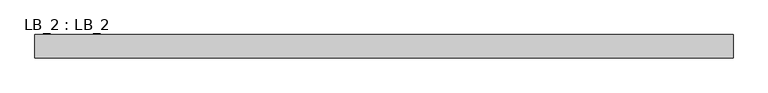
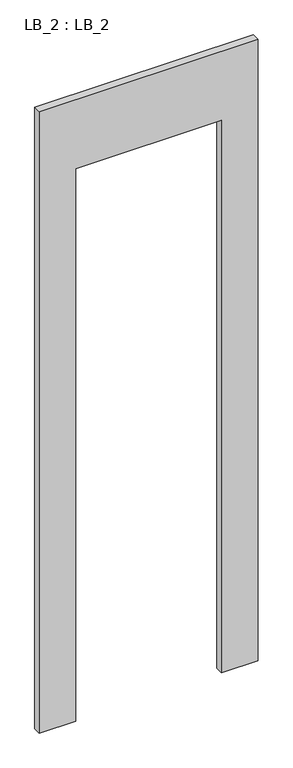
"""IFC4 building model written with IfcOpenShell, lengths in millimetres: proxy geometry, LB_2 : LB_2."""

from ifc_helpers import new_model, si_unit, frame, origin, place, context, project, spatial, polyline, outline, extrude, source, transform, mapped, element, save


def lb_2_lb_2_d846214d(model_context):
    return source(origin(), model_context, "Body", "SweptSolid", [
        extrude(outline(polyline([(4000.0, -500.0), (4000.0, 500.0), (0.0, 500.0), (0.0, 750.0), (4500.0, 750.0), (4500.0, -750.0), (0.0, -750.0), (0.0, -500.0), (4000.0, -500.0)])), frame((0.0, -50.0, 0.0), z_axis=(0.0, 1.0, 0.0), x_axis=(0.0, 0.0, 1.0)), (0.0, 0.0, 1.0), 50.0),
    ])


if __name__ == "__main__":
    model = new_model("IFC4")
    model_context = context("Model", 3, world=origin())
    ifc_project = project(units=[si_unit("LENGTHUNIT", "METRE", prefix="MILLI")], contexts=[model_context])
    site = spatial("IfcSite", under=ifc_project)
    building = spatial("IfcBuilding", under=site)
    placement = place(None, origin())
    lb_2_lb_2_shape = lb_2_lb_2_d846214d(model_context)
    element("IfcBuildingElementProxy", 1, Name="LB_2 : LB_2", ObjectType="LB_2 : LB_2", at=placement, inside=building, context=model_context, shape_type="MappedRepresentation", body=[
        mapped(lb_2_lb_2_shape, transform((0.0, 0.0, 0.0), x_axis=(1.0, 0.0, 0.0), y_axis=(0.0, 1.0, 0.0), z_axis=(0.0, 0.0, 1.0))),
    ])
    save(model, "model.ifc")
